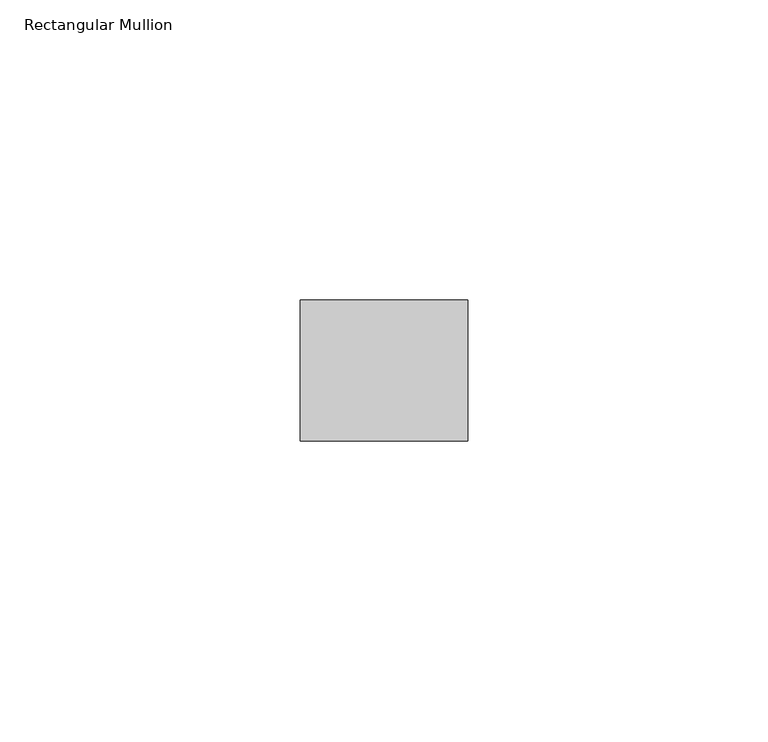
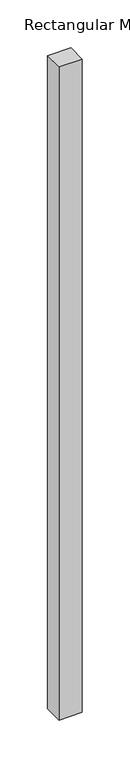
"""IFC4 building model written with IfcOpenShell, lengths in millimetres: member geometry, Rectangular Mullion."""

from ifc_helpers import new_model, si_unit, frame, origin, place, context, project, spatial, polyline, outline, extrude, source, transform, mapped, element, save


def rectangular_mullion_ddddabf9(model_context):
    return source(origin(), model_context, "Body", "SweptSolid", [
        extrude(outline(polyline([(0.0, -11.7474999), (-27.94, -11.7474999), (-27.94, 11.7474999), (0.0, 11.7474999), (0.0, -11.7474999)])), frame((0.0, 0.0, -832.603699), z_axis=(0.0, 0.0, 1.0), x_axis=(1.0, 0.0, 0.0)), (0.0, 0.0, 1.0), 832.603699),
    ])


if __name__ == "__main__":
    model = new_model("IFC4")
    model_context = context("Model", 3, world=origin())
    ifc_project = project(units=[si_unit("LENGTHUNIT", "METRE", prefix="MILLI")], contexts=[model_context])
    site = spatial("IfcSite", under=ifc_project)
    building = spatial("IfcBuilding", under=site)
    placement = place(None, origin())
    rectangular_mullion_shape = rectangular_mullion_ddddabf9(model_context)
    element("IfcMember", 1, ObjectType="Rectangular Mullion", at=placement, inside=building, context=model_context, shape_type="MappedRepresentation", body=[
        mapped(rectangular_mullion_shape, transform((0.0, 0.0, 0.0), x_axis=(1.0, 0.0, 0.0), y_axis=(0.0, 1.0, 0.0), z_axis=(0.0, 0.0, 1.0))),
    ])
    save(model, "model.ifc")
